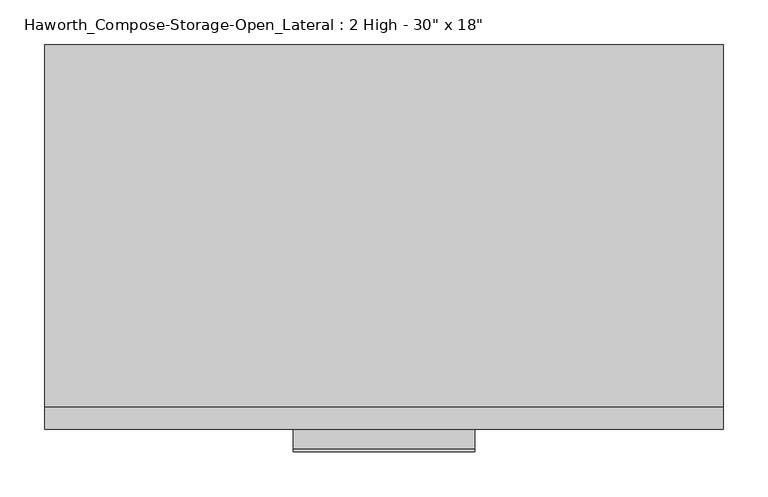
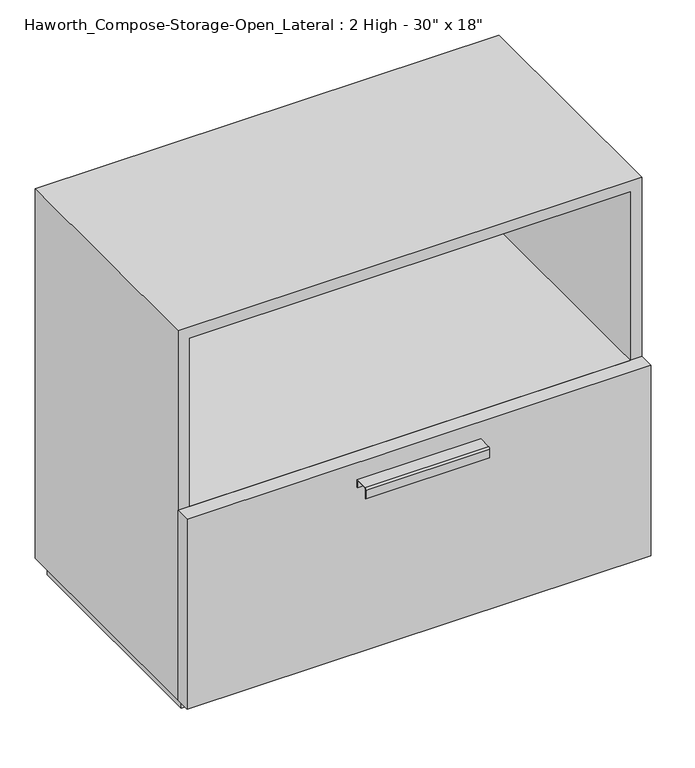
"""IFC4 building model written with IfcOpenShell, lengths in millimetres: furniture geometry."""

from ifc_helpers import new_model, si_unit, point, frame, frame_2d, origin, origin_with_axes, place, context, project, spatial, polyline, circle_curve, trimmed, segment, composite_curve, outline, extrude, source, transform, mapped, element, save


def furniture_3f49db3d(model_context):
    return source(origin(), model_context, "Body", "SweptSolid", [
        extrude(outline(polyline([(361.9569453, 247.65), (361.9569453, -139.7), (-361.9291641, -139.7), (-361.9291641, 247.65), (361.9569453, 247.65)])), frame((0.0, 0.0, 336.55), z_axis=(0.0, 0.0, 1.0), x_axis=(1.0, 0.0, 0.0)), (0.0, 0.0, 1.0), 19.05),
        extrude(outline(composite_curve([segment(polyline([(-187.3250242, 326.0169215), (-165.1, 326.0169215), (-165.1, 312.5549525), (-165.8937742, 312.5549525), (-165.8937742, 325.2232199), (-187.3250242, 325.2232199)]), True, "CONTINUOUS"), segment(trimmed(circle_curve(frame_2d((-187.3250242, 322.8392808)), 2.3839392), [point((-187.3250242, 325.2232199))], [point((-189.7089634, 322.8392808))], True, "CARTESIAN"), True, "CONTINUOUS"), segment(polyline([(-189.7089634, 322.8392808), (-189.7089634, 308.2369021), (-190.4999758, 308.2369021), (-190.4999758, 322.8419699)]), True, "CONTINUOUS"), segment(trimmed(circle_curve(frame_2d((-187.3250242, 322.8419699)), 3.1749516), [point((-190.4999758, 322.8419699))], [point((-187.3250242, 326.0169215))], False, "CARTESIAN"), True, "CONTINUOUS")], self_intersect=False)), frame((-101.5861094, 0.0, 0.0), z_axis=(1.0, 0.0, 0.0), x_axis=(0.0, 1.0, 0.0)), (0.0, 0.0, 1.0), 203.2),
        extrude(outline(polyline([(381.0138906, -139.7), (381.0138906, -165.1), (-380.9861094, -165.1), (-380.9861094, -139.7), (381.0138906, -139.7)])), frame((0.0, 0.0, 25.4), z_axis=(0.0, 0.0, 1.0), x_axis=(1.0, 0.0, 0.0)), (0.0, 0.0, 1.0), 330.2),
        extrude(outline(polyline([(25.4, -380.9861094), (25.4, 381.0), (666.75, 381.0), (666.75, -380.9861094), (25.4, -380.9861094)]), holes=[polyline([(44.45, -361.9361094), (647.7, -361.9361094), (647.7, 361.9361094), (44.45, 361.9361094), (44.45, -361.9361094)])]), frame((0.0, -139.7, 0.0), z_axis=(0.0, 1.0, 0.0), x_axis=(0.0, 0.0, 1.0)), (0.0, 0.0, 1.0), 406.4),
        extrude(outline(polyline([(-361.9291641, 247.65), (-361.9291641, 266.7), (361.9569453, 266.7), (361.9569453, 247.65), (-361.9291641, 247.65)])), frame((0.0, 0.0, 44.45), z_axis=(0.0, 0.0, 1.0), x_axis=(1.0, 0.0, 0.0)), (0.0, 0.0, 1.0), 603.25),
        extrude(outline(polyline([(368.3138906, -127.0), (-368.2861094, -127.0), (-368.2861094, 254.0), (368.3138906, 254.0), (368.3138906, -127.0)])), origin_with_axes(), (0.0, 0.0, 1.0), 25.4),
    ])


if __name__ == "__main__":
    model = new_model("IFC4")
    model_context = context("Model", 3, world=origin())
    ifc_project = project(units=[si_unit("LENGTHUNIT", "METRE", prefix="MILLI")], contexts=[model_context])
    site = spatial("IfcSite", under=ifc_project)
    building = spatial("IfcBuilding", under=site)
    placement = place(None, origin())
    furniture_shape = furniture_3f49db3d(model_context)
    element("IfcFurniture", 1, ObjectType="Haworth_Compose-Storage-Open_Lateral : 2 High - 30\" x 18\"", at=placement, inside=building, context=model_context, shape_type="MappedRepresentation", body=[
        mapped(furniture_shape, transform((0.0, 0.0, 0.0), x_axis=(1.0, 0.0, 0.0), y_axis=(0.0, 1.0, 0.0), z_axis=(0.0, 0.0, 1.0))),
    ])
    save(model, "model.ifc")
